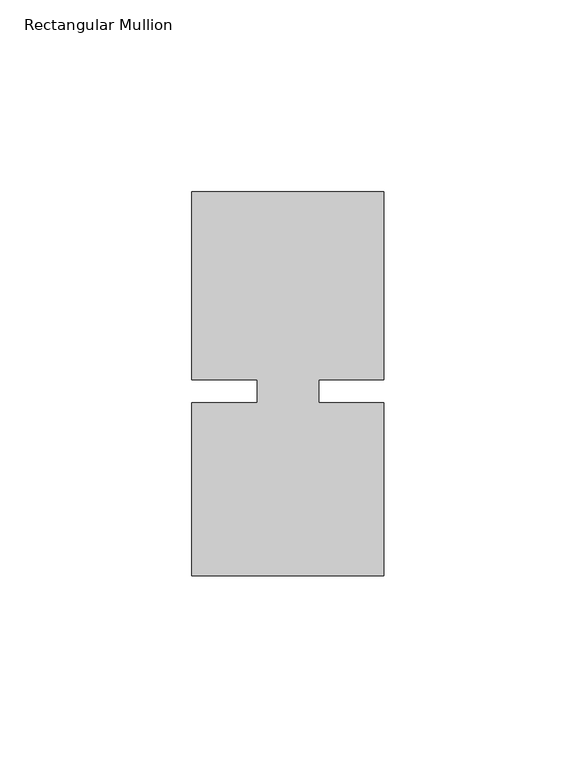
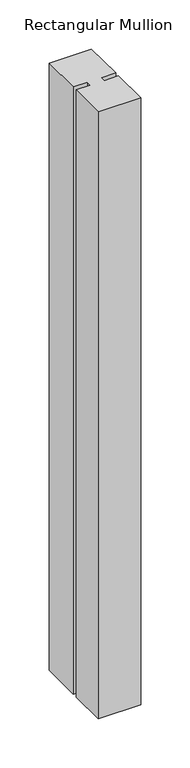
"""IFC4 building model written with IfcOpenShell, lengths in millimetres: member geometry, Rectangular Mullion."""

from ifc_helpers import new_model, si_unit, frame, origin, place, context, project, spatial, polyline, outline, extrude, source, transform, mapped, element, save


def rectangular_mullion_20926749(model_context):
    return source(origin(), model_context, "Body", "SweptSolid", [
        extrude(outline(polyline([(8.0004618, -3.0000161), (25.0, -3.000024), (24.9999791, -48.000024), (-25.0000209, -48.0000007), (-25.0, -3.0000007), (-8.0004617, -3.0000086), (-8.0004589, 3.0000086), (-24.9999972, 3.0000166), (-24.9999743, 51.9999993), (25.0000011, 51.9999711), (24.9999734, 2.9999933), (8.0004646, 3.0000012), (8.0004618, -3.0000161)])), frame((0.0, 0.0, -755.7899121), z_axis=(0.0, 0.0, 1.0), x_axis=(1.0, 0.0, 0.0)), (0.0, 0.0, 1.0), 755.7899121),
    ])


if __name__ == "__main__":
    model = new_model("IFC4")
    model_context = context("Model", 3, world=origin())
    ifc_project = project(units=[si_unit("LENGTHUNIT", "METRE", prefix="MILLI")], contexts=[model_context])
    site = spatial("IfcSite", under=ifc_project)
    building = spatial("IfcBuilding", under=site)
    placement = place(None, origin())
    rectangular_mullion_shape = rectangular_mullion_20926749(model_context)
    element("IfcMember", 1, ObjectType="Rectangular Mullion", at=placement, inside=building, context=model_context, shape_type="MappedRepresentation", body=[
        mapped(rectangular_mullion_shape, transform((0.0, 0.0, 0.0), x_axis=(1.0, 0.0, 0.0), y_axis=(0.0, 1.0, 0.0), z_axis=(0.0, 0.0, 1.0))),
    ])
    save(model, "model.ifc")
